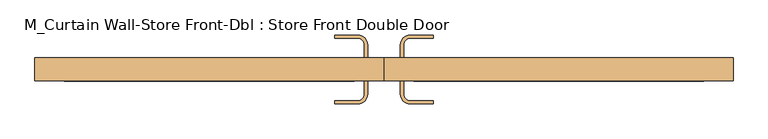
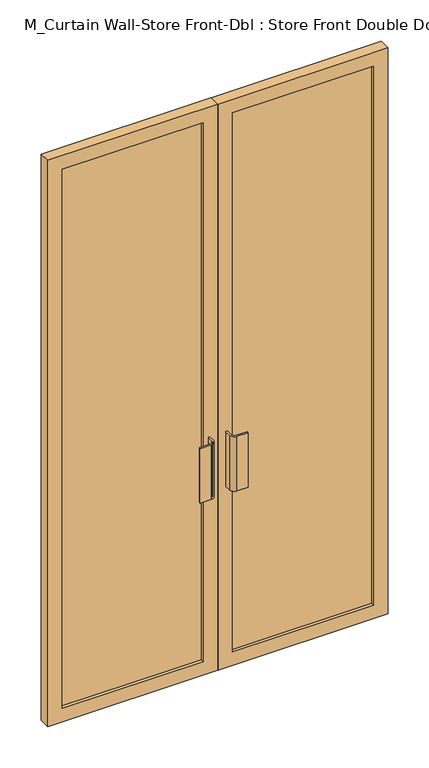
"""IFC4 building model written with IfcOpenShell, lengths in millimetres: door geometry, M_Curtain Wall-Store Front-Dbl : Store Front Double Door."""

import ifcopenshell
import ifcopenshell.guid

model = None  # the IFC model being written
_history = None  # IfcOwnerHistory: only IFC2X3 demands one
_inside = {}  # id of a spatial element -> (the spatial element, [elements in it])
_under = {}  # id of a project, library or spatial element -> (it, [spatial elements below it])
_declared = {}  # id of a project -> (the project, [libraries it declares])
_typed = {}  # id of a type object -> (the type object, [elements of that type])
_made_of = {}  # id of a material, layer set ... -> (it, [elements and type objects made of it])


def new_model(schema):
    """Start an empty IFC model of exactly this schema.

    Asked for "IFC4X3", IfcOpenShell would pick the latest addendum, in which some entities
    have other attributes; the version numbers below select the first issue.
    IFC2X3 requires an IfcOwnerHistory on every rooted entity: one is made here for all.
    """
    global model, _history
    if schema == "IFC4X3":
        model = ifcopenshell.file(schema_version=(4, 3, 0, 0))
    else:
        model = ifcopenshell.file(schema=schema)
    _inside.clear()
    _under.clear()
    _declared.clear()
    _typed.clear()
    _made_of.clear()
    _history = None
    if model.schema == "IFC2X3":
        org = make("IfcOrganization", Name="unknown")
        user = make(
            "IfcPersonAndOrganization",
            ThePerson=make("IfcPerson", FamilyName="unknown"),
            TheOrganization=org,
        )
        app = make(
            "IfcApplication",
            ApplicationDeveloper=org,
            Version="unknown",
            ApplicationFullName="unknown",
            ApplicationIdentifier="unknown",
        )
        _history = make(
            "IfcOwnerHistory",
            OwningUser=user,
            OwningApplication=app,
            ChangeAction="ADDED",
            CreationDate=0,
        )
    return model


def make(cls, **values):
    """One entity of the class cls with the attributes given. An attribute that is None is left unset."""
    return model.create_entity(
        cls, **{name: value for name, value in values.items() if value is not None}
    )


def rooted(cls, **values):
    """An entity with a GlobalId (a new one), such as an element, a storey or a relation."""
    return make(cls, GlobalId=ifcopenshell.guid.new(), OwnerHistory=_history, **values)


def si_unit(unit_type, name, prefix=None):
    """IfcSIUnit, for example si_unit("LENGTHUNIT", "METRE", prefix="MILLI")."""
    return make("IfcSIUnit", UnitType=unit_type, Prefix=prefix, Name=name)


def assignment(units):
    """IfcUnitAssignment: the units of a project."""
    return None if units is None else make("IfcUnitAssignment", Units=units)


def point(xyz):
    """IfcCartesianPoint."""
    return None if xyz is None else make("IfcCartesianPoint", Coordinates=xyz)


def direction(xyz):
    """IfcDirection."""
    return None if xyz is None else make("IfcDirection", DirectionRatios=xyz)


def frame(location, z_axis=None, x_axis=None):
    """IfcAxis2Placement3D, a coordinate frame: its origin and axes. An axis left out is left unset."""
    return make(
        "IfcAxis2Placement3D",
        Location=point(location),
        Axis=direction(z_axis),
        RefDirection=direction(x_axis),
    )


def frame_2d(location, x_axis=None):
    """IfcAxis2Placement2D, a coordinate frame in the plane: its origin and x axis."""
    return make(
        "IfcAxis2Placement2D", Location=point(location), RefDirection=direction(x_axis)
    )


def origin():
    """The frame at (0, 0, 0) with its axes left unset."""
    return frame((0.0, 0.0, 0.0))


def place(relative_to, where):
    """IfcLocalPlacement: puts the frame where relative to a parent placement (None: the world)."""
    return make(
        "IfcLocalPlacement", PlacementRelTo=relative_to, RelativePlacement=where
    )


def context(
    kind, dimensions, precision=None, world=None, true_north=None, identifier=None
):
    """IfcGeometricRepresentationContext, for example the 3D "Model" context."""
    return make(
        "IfcGeometricRepresentationContext",
        ContextIdentifier=identifier,
        ContextType=kind,
        CoordinateSpaceDimension=dimensions,
        Precision=precision,
        WorldCoordinateSystem=world,
        TrueNorth=true_north,
    )


def project(units=None, contexts=None):
    """IfcProject with its units and contexts."""
    return rooted(
        "IfcProject",
        Name="project",
        RepresentationContexts=contexts,
        UnitsInContext=assignment(units),
    )


def spatial(cls, under=None, at=None, **own):
    """A site, building, storey or space (cls), placed at a placement, below another one or the project."""
    s = rooted(cls, ObjectPlacement=at, **own)
    if under is not None:
        _under.setdefault(under.id(), (under, []))[1].append(s)
    return s


def polyline(points):
    """IfcPolyline through the points."""
    return make("IfcPolyline", Points=[point(p) for p in points])


def circle_curve(where, radius):
    """IfcCircle in the frame where."""
    return make("IfcCircle", Position=where, Radius=radius)


def trimmed(basis, trim1, trim2, sense, master):
    """IfcTrimmedCurve: the piece of a basis curve between two trims."""
    return make(
        "IfcTrimmedCurve",
        BasisCurve=basis,
        Trim1=trim1,
        Trim2=trim2,
        SenseAgreement=sense,
        MasterRepresentation=master,
    )


def segment(curve, same_sense, transition):
    """IfcCompositeCurveSegment."""
    return make(
        "IfcCompositeCurveSegment",
        Transition=transition,
        SameSense=same_sense,
        ParentCurve=curve,
    )


def composite_curve(segments, self_intersect=None):
    """IfcCompositeCurve: segments joined end to end."""
    return make("IfcCompositeCurve", Segments=segments, SelfIntersect=self_intersect)


def outline(outer, holes=None, kind="AREA"):
    """IfcArbitraryClosedProfileDef: a profile drawn as a closed curve; with holes, ...WithVoids."""
    if holes is None:
        return make("IfcArbitraryClosedProfileDef", ProfileType=kind, OuterCurve=outer)
    return make(
        "IfcArbitraryProfileDefWithVoids",
        ProfileType=kind,
        OuterCurve=outer,
        InnerCurves=holes,
    )


def extrude(swept, where, along, depth):
    """IfcExtrudedAreaSolid: the profile swept, set in the frame where, extruded along a direction by depth."""
    return make(
        "IfcExtrudedAreaSolid",
        SweptArea=swept,
        Position=where,
        ExtrudedDirection=direction(along),
        Depth=depth,
    )


def shape(context_of_items, identifier, shape_type, items):
    """IfcShapeRepresentation: the items that make up one representation, for example the "Body"."""
    return make(
        "IfcShapeRepresentation",
        ContextOfItems=context_of_items,
        RepresentationIdentifier=identifier,
        RepresentationType=shape_type,
        Items=items,
    )


def source(mapping_origin, context_of_items, identifier, shape_type, items):
    """IfcRepresentationMap: a shape defined once, which mapped items show again and again."""
    return make(
        "IfcRepresentationMap",
        MappingOrigin=mapping_origin,
        MappedRepresentation=shape(context_of_items, identifier, shape_type, items),
    )


def transform(
    local_origin,
    x_axis=None,
    y_axis=None,
    z_axis=None,
    scale=None,
    scale2=None,
    scale3=None,
    uniform=True,
):
    """IfcCartesianTransformationOperator3D, or its non-uniform kind. x_axis, y_axis, z_axis: its Axis1, 2, 3."""
    if uniform:
        return make(
            "IfcCartesianTransformationOperator3D",
            Axis1=direction(x_axis),
            Axis2=direction(y_axis),
            LocalOrigin=point(local_origin),
            Scale=scale,
            Axis3=direction(z_axis),
        )
    return make(
        "IfcCartesianTransformationOperator3DnonUniform",
        Axis1=direction(x_axis),
        Axis2=direction(y_axis),
        LocalOrigin=point(local_origin),
        Scale=scale,
        Axis3=direction(z_axis),
        Scale2=scale2,
        Scale3=scale3,
    )


def mapped(mapping_source, mapping_target):
    """IfcMappedItem: shows the shape of a source again, moved by a transform."""
    return make(
        "IfcMappedItem", MappingSource=mapping_source, MappingTarget=mapping_target
    )


def made_of(thing, what):
    """Note that an element or type object is made of a material, layer set ...; save() writes the relation."""
    if what is not None:
        _made_of.setdefault(what.id(), (what, []))[1].append(thing)
    return thing


def element(
    cls,
    number,
    at=None,
    inside=None,
    cuts=None,
    type_object=None,
    material=None,
    context=None,
    identifier="Body",
    shape_type=None,
    held_by="IfcProductDefinitionShape",
    body=None,
    shapes=None,
    **own,
):
    """One element of the class cls, such as IfcWall. Its Tag is "e" and its number.

    at: its placement. inside: the storey or other place that contains it. cuts: it is an
    opening in that element (IfcRelVoidsElement). A single representation is given by context,
    identifier, shape_type and body (its items); several are given by shapes. held_by: the class
    of the entity that holds the representations. save() writes the other relations.
    """
    e = rooted(cls, Tag="e%d" % number, ObjectPlacement=at, **own)
    if body is not None:
        shapes = [shape(context, identifier, shape_type, body)]
    if shapes is not None:
        e.Representation = make(held_by, Representations=shapes)
    if inside is not None:
        _inside.setdefault(inside.id(), (inside, []))[1].append(e)
    if cuts is not None:
        rooted(
            "IfcRelVoidsElement", RelatingBuildingElement=cuts, RelatedOpeningElement=e
        )
    if type_object is not None:
        _typed.setdefault(type_object.id(), (type_object, []))[1].append(e)
    return made_of(e, material)


def aggregate(whole, parts):
    """IfcRelAggregates: a whole, such as a stair, and the parts it consists of."""
    return rooted("IfcRelAggregates", RelatingObject=whole, RelatedObjects=parts)


def save(model, path):
    """Write the relations noted so far, then the file.

    IfcRelAggregates (storeys below a building ...), IfcRelContainedInSpatialStructure (elements
    in a storey), IfcRelDefinesByType, IfcRelAssociatesMaterial and IfcRelDeclares: one each for
    every whole, place, type object, material and project.
    """
    for whole, parts in _under.values():
        aggregate(whole, parts)
    for where, things in _inside.values():
        rooted(
            "IfcRelContainedInSpatialStructure",
            RelatedElements=things,
            RelatingStructure=where,
        )
    for kind, things in _typed.values():
        rooted("IfcRelDefinesByType", RelatedObjects=things, RelatingType=kind)
    for what, things in _made_of.values():
        rooted("IfcRelAssociatesMaterial", RelatedObjects=things, RelatingMaterial=what)
    for by, libraries in _declared.values():
        rooted("IfcRelDeclares", RelatingContext=by, RelatedDefinitions=libraries)
    model.write(path)


def m_curtain_wall_store_front_dbl_store_front_double_door_c81bd231(model_context):
    return source(origin(), model_context, "Body", "SweptSolid", [
        extrude(outline(composite_curve([segment(polyline([(-31.75, 14.85), (-31.75, -10.55), (-38.1, -10.55), (-38.1, 14.85)]), True, "CONTINUOUS"), segment(trimmed(circle_curve(frame_2d((-50.8, 14.85)), 12.7), [point((-38.1, 14.85))], [point((-50.8, 27.55))], True, "CARTESIAN"), True, "CONTINUOUS"), segment(polyline([(-50.8, 27.55), (-95.25, 27.55), (-95.25, 33.9), (-50.8, 33.9)]), True, "CONTINUOUS"), segment(trimmed(circle_curve(frame_2d((-50.8, 14.85)), 19.05), [point((-50.8, 33.9))], [point((-31.75, 14.85))], False, "CARTESIAN"), True, "CONTINUOUS")], self_intersect=False)), frame((0.0, 0.0, 762.0), z_axis=(0.0, 0.0, 1.0), x_axis=(1.0, 0.0, 0.0)), (0.0, 0.0, 1.0), 228.6),
        extrude(outline(composite_curve([segment(trimmed(circle_curve(frame_2d((50.8, 14.85)), 19.05), [point((31.75, 14.85))], [point((50.8, 33.9))], False, "CARTESIAN"), True, "CONTINUOUS"), segment(polyline([(50.8, 33.9), (95.25, 33.9), (95.25, 27.55), (50.8, 27.55)]), True, "CONTINUOUS"), segment(trimmed(circle_curve(frame_2d((50.8, 14.85)), 12.7), [point((50.8, 27.55))], [point((38.1, 14.85))], True, "CARTESIAN"), True, "CONTINUOUS"), segment(polyline([(38.1, 14.85), (38.1, -10.55), (31.75, -10.55), (31.75, 14.85)]), True, "CONTINUOUS")], self_intersect=False)), frame((0.0, 0.0, 762.0), z_axis=(0.0, 0.0, 1.0), x_axis=(1.0, 0.0, 0.0)), (0.0, 0.0, 1.0), 228.6),
        extrude(outline(composite_curve([segment(trimmed(circle_curve(frame_2d((-50.8, -80.4)), 19.05), [point((-31.75, -80.4))], [point((-50.8, -99.45))], False, "CARTESIAN"), True, "CONTINUOUS"), segment(polyline([(-50.8, -99.45), (-95.25, -99.45), (-95.25, -93.1), (-50.8, -93.1)]), True, "CONTINUOUS"), segment(trimmed(circle_curve(frame_2d((-50.8, -80.4)), 12.7), [point((-50.8, -93.1))], [point((-38.1, -80.4))], True, "CARTESIAN"), True, "CONTINUOUS"), segment(polyline([(-38.1, -80.4), (-38.1, -55.0), (-31.75, -55.0), (-31.75, -80.4)]), True, "CONTINUOUS")], self_intersect=False)), frame((0.0, 0.0, 762.0), z_axis=(0.0, 0.0, 1.0), x_axis=(1.0, 0.0, 0.0)), (0.0, 0.0, 1.0), 228.6),
        extrude(outline(composite_curve([segment(polyline([(31.75, -80.4), (31.75, -55.0), (38.1, -55.0), (38.1, -80.4)]), True, "CONTINUOUS"), segment(trimmed(circle_curve(frame_2d((50.8, -80.4)), 12.7), [point((38.1, -80.4))], [point((50.8, -93.1))], True, "CARTESIAN"), True, "CONTINUOUS"), segment(polyline([(50.8, -93.1), (95.25, -93.1), (95.25, -99.45), (50.8, -99.45)]), True, "CONTINUOUS"), segment(trimmed(circle_curve(frame_2d((50.8, -80.4)), 19.05), [point((50.8, -99.45))], [point((31.75, -80.4))], False, "CARTESIAN"), True, "CONTINUOUS")], self_intersect=False)), frame((0.0, 0.0, 762.0), z_axis=(0.0, 0.0, 1.0), x_axis=(1.0, 0.0, 0.0)), (0.0, 0.0, 1.0), 228.6),
        extrude(outline(polyline([(617.85, -23.25), (617.85, -42.3), (57.94375, -42.3), (57.94375, -23.25), (617.85, -23.25)])), frame((0.0, 0.0, 57.15), z_axis=(0.0, 0.0, 1.0), x_axis=(1.0, 0.0, 0.0)), (0.0, 0.0, 1.0), 2260.7),
        extrude(outline(polyline([(-57.94375, -23.25), (-57.94375, -42.3), (-617.85, -42.3), (-617.85, -23.25), (-57.94375, -23.25)])), frame((0.0, 0.0, 57.15), z_axis=(0.0, 0.0, 1.0), x_axis=(1.0, 0.0, 0.0)), (0.0, 0.0, 1.0), 2260.7),
        extrude(outline(polyline([(2375.0, 0.79375), (0.0, 0.79375), (0.0, 675.0), (2375.0, 675.0), (2375.0, 0.79375)]), holes=[polyline([(2317.85, 57.94375), (2317.85, 617.85), (57.15, 617.85), (57.15, 57.94375), (2317.85, 57.94375)])]), frame((0.0, -55.0, 0.0), z_axis=(0.0, 1.0, 0.0), x_axis=(0.0, 0.0, 1.0)), (0.0, 0.0, 1.0), 44.45),
        extrude(outline(polyline([(2375.0, -0.79375), (2375.0, -675.0), (0.0, -675.0), (0.0, -0.79375), (2375.0, -0.79375)]), holes=[polyline([(2317.85, -617.85), (2317.85, -57.94375), (57.15, -57.94375), (57.15, -617.85), (2317.85, -617.85)])]), frame((0.0, -55.0, 0.0), z_axis=(0.0, 1.0, 0.0), x_axis=(0.0, 0.0, 1.0)), (0.0, 0.0, 1.0), 44.45),
    ])


if __name__ == "__main__":
    model = new_model("IFC4")
    model_context = context("Model", 3, world=origin())
    ifc_project = project(units=[si_unit("LENGTHUNIT", "METRE", prefix="MILLI")], contexts=[model_context])
    site = spatial("IfcSite", under=ifc_project)
    building = spatial("IfcBuilding", under=site)
    placement = place(None, origin())
    m_curtain_wall_store_front_dbl_store_front_double_door_shape = m_curtain_wall_store_front_dbl_store_front_double_door_c81bd231(model_context)
    element("IfcDoor", 1, ObjectType="M_Curtain Wall-Store Front-Dbl : Store Front Double Door", at=placement, inside=building, context=model_context, shape_type="MappedRepresentation", body=[
        mapped(m_curtain_wall_store_front_dbl_store_front_double_door_shape, transform((0.0, 0.0, 0.0), x_axis=(1.0, 0.0, 0.0), y_axis=(0.0, 1.0, 0.0), z_axis=(0.0, 0.0, 1.0))),
    ])
    save(model, "model.ifc")
